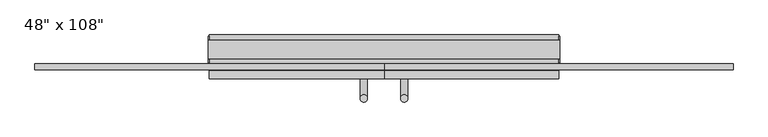
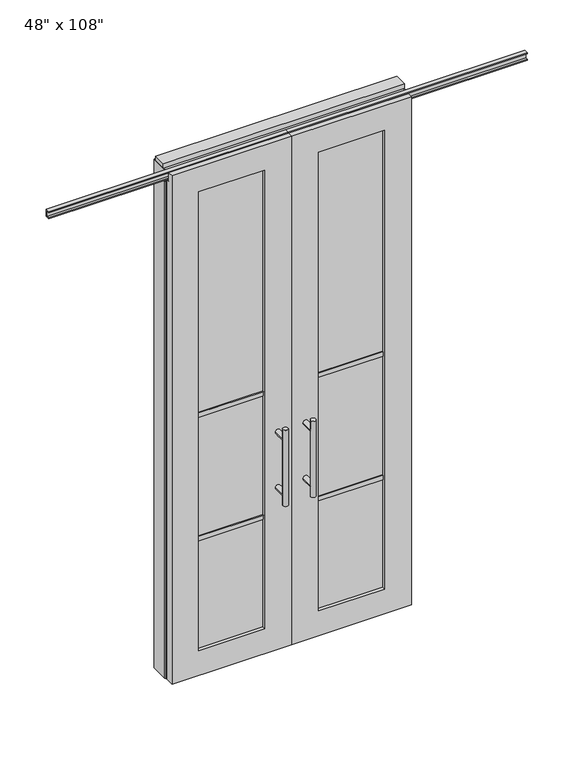
"""IFC4 building model written with IfcOpenShell, lengths in millimetres: furniture geometry."""

from ifc_helpers import new_model, si_unit, frame, origin, origin_with_axes, place, context, project, spatial, polyline, circle_curve, ellipse_curve, outline, extrude, faceted_brep, source, transform, mapped, element, save
from ifc_brep_helpers import plane_surface, cylinder_surface, advanced_brep


def furniture_7f959017(model_context):
    return source(origin(), model_context, "Body", "SolidModel", [
        advanced_brep(
        [(-117.3135229, 5.8962784, 1219.2), (-142.7135229, 5.8962784, 1219.2), (-117.3135229, 5.8962784, 812.8), (-142.7135229, 5.8962784, 812.8), (-117.3135229, 5.8962784, 1164.336), (-117.3135229, 5.8962784, 867.664), (-142.7135229, 5.8962784, 867.664), (-142.7135229, 5.8962784, 1164.336), (-117.3135229, -61.6677216, 1164.336), (-142.7135229, -61.6677216, 1164.336), (-117.3135229, -61.6677216, 867.664), (-142.7135229, -61.6677216, 867.664)],
        [
            (0, 1, circle_curve(frame((-130.0135229, 5.8962784, 1219.2), z_axis=(0.0, 0.0, 1.0), x_axis=(-1.0, 0.0, 0.0)), 12.7)),
            (1, 0, circle_curve(frame((-130.0135229, 5.8962784, 1219.2), z_axis=(0.0, 0.0, 1.0), x_axis=(-1.0, 0.0, 0.0)), 12.7)),
            (2, 3, circle_curve(frame((-130.0135229, 5.8962784, 812.8), z_axis=(0.0, 0.0, -1.0), x_axis=(-1.0, 0.0, 0.0)), 12.7)),
            (3, 2, circle_curve(frame((-130.0135229, 5.8962784, 812.8), z_axis=(0.0, 0.0, -1.0), x_axis=(-1.0, 0.0, 0.0)), 12.7)),
            (0, 4),
            (4, 5),
            (5, 2),
            (3, 6),
            (6, 7),
            (7, 1),
            (7, 4, ellipse_curve(frame((-130.0135229, 5.8962784, 1164.336), z_axis=(0.0, 0.707106781186565, 0.70710678118653), x_axis=(0.0, -0.70710678118653, 0.707106781186565)), 17.9605122, 12.7)),
            (5, 6, ellipse_curve(frame((-130.0135229, 5.8962784, 867.664), z_axis=(0.0, 0.70710678118653, -0.7071067811865649), x_axis=(0.0, 0.7071067811865648, 0.7071067811865301)), 17.9605122, 12.7)),
            (4, 7, ellipse_curve(frame((-130.0135229, 5.8962784, 1164.336), z_axis=(0.0, 0.70710678118653, -0.7071067811865649), x_axis=(0.0, 0.7071067811865648, 0.7071067811865301)), 17.9605122, 12.7)),
            (6, 5, ellipse_curve(frame((-130.0135229, 5.8962784, 867.664), z_axis=(0.0, 0.707106781186565, 0.70710678118653), x_axis=(0.0, -0.70710678118653, 0.707106781186565)), 17.9605122, 12.7)),
            (8, 9, circle_curve(frame((-130.0135229, -61.6677216, 1164.336), z_axis=(0.0, -1.0, 0.0), x_axis=(-1.0, 0.0, 0.0)), 12.7)),
            (9, 8, circle_curve(frame((-130.0135229, -61.6677216, 1164.336), z_axis=(0.0, -1.0, 0.0), x_axis=(-1.0, 0.0, 0.0)), 12.7)),
            (9, 7),
            (4, 8),
            (10, 11, circle_curve(frame((-130.0135229, -61.6677216, 867.664), z_axis=(0.0, -1.0, 0.0), x_axis=(-1.0, 0.0, 0.0)), 12.7)),
            (11, 10, circle_curve(frame((-130.0135229, -61.6677216, 867.664), z_axis=(0.0, -1.0, 0.0), x_axis=(-1.0, 0.0, 0.0)), 12.7)),
            (11, 6),
            (5, 10),
        ],
        [
            plane_surface(frame((-142.7135229, 5.8962784, 1219.2), z_axis=(0.0, 0.0, 1.0), x_axis=(0.0, -1.0, 0.0))),
            plane_surface(frame((-142.7135229, 5.8962784, 812.8), z_axis=(0.0, 0.0, -1.0), x_axis=(0.0, 1.0, 0.0))),
            cylinder_surface(frame((-130.0135229, 5.8962784, 812.8), z_axis=(0.0, 0.0, 1.0), x_axis=(-1.0, 0.0, 0.0)), 12.7),
            plane_surface(frame((-142.7135229, -61.6677216, 1164.336), z_axis=(0.0, -1.0, 0.0), x_axis=(0.0, 0.0, -1.0))),
            cylinder_surface(frame((-130.0135229, -61.6677216, 1164.336), z_axis=(0.0, 1.0, 0.0), x_axis=(-1.0, 0.0, 0.0)), 12.7),
            plane_surface(frame((-142.7135229, -61.6677216, 867.664), z_axis=(0.0, -1.0, 0.0), x_axis=(0.0, 0.0, -1.0))),
            cylinder_surface(frame((-130.0135229, -61.6677216, 867.664), z_axis=(0.0, 1.0, 0.0), x_axis=(-1.0, 0.0, 0.0)), 12.7),
        ],
        [
            (0, [[1, 2]]),
            (1, [[3, 4]]),
            (2, [[-1, 5, 6, 7, -4, 8, 9, 10]]),
            (2, [[-2, -10, 11, -5]]),
            (2, [[-3, -7, 12, -8]]),
            (2, [[13, -9, 14, -6]]),
            (3, [[15, 16]]),
            (4, [[-16, 17, -13, 18]]),
            (4, [[-15, -18, -11, -17]]),
            (5, [[19, 20]]),
            (6, [[-20, 21, -12, 22]]),
            (6, [[-19, -22, -14, -21]]),
        ],
    ),
        advanced_brep(
        [(-117.3135229, -173.6817216, 1219.2), (-142.7135229, -173.6817216, 1219.2), (-117.3135229, -173.6817216, 812.8), (-142.7135229, -173.6817216, 812.8), (-142.7135229, -173.6817216, 1164.336), (-142.7135229, -173.6817216, 867.664), (-117.3135229, -173.6817216, 867.664), (-117.3135229, -173.6817216, 1164.336), (-117.3135229, -106.1177216, 1164.336), (-142.7135229, -106.1177216, 1164.336), (-117.3135229, -106.1177216, 867.664), (-142.7135229, -106.1177216, 867.664)],
        [
            (0, 1, circle_curve(frame((-130.0135229, -173.6817216, 1219.2), z_axis=(0.0, 0.0, 1.0), x_axis=(-1.0, 0.0, 0.0)), 12.7)),
            (1, 0, circle_curve(frame((-130.0135229, -173.6817216, 1219.2), z_axis=(0.0, 0.0, 1.0), x_axis=(-1.0, 0.0, 0.0)), 12.7)),
            (2, 3, circle_curve(frame((-130.0135229, -173.6817216, 812.8), z_axis=(0.0, 0.0, -1.0), x_axis=(-1.0, 0.0, 0.0)), 12.7)),
            (3, 2, circle_curve(frame((-130.0135229, -173.6817216, 812.8), z_axis=(0.0, 0.0, -1.0), x_axis=(-1.0, 0.0, 0.0)), 12.7)),
            (1, 4),
            (4, 5),
            (5, 3),
            (2, 6),
            (6, 7),
            (7, 0),
            (6, 5, ellipse_curve(frame((-130.0135229, -173.6817216, 867.664), z_axis=(0.0, -0.707106781186565, 0.70710678118653), x_axis=(0.0, 0.70710678118653, 0.707106781186565)), 17.9605122, 12.7)),
            (4, 7, ellipse_curve(frame((-130.0135229, -173.6817216, 1164.336), z_axis=(0.0, -0.70710678118653, -0.7071067811865649), x_axis=(0.0, -0.7071067811865648, 0.7071067811865301)), 17.9605122, 12.7)),
            (7, 4, ellipse_curve(frame((-130.0135229, -173.6817216, 1164.336), z_axis=(0.0, -0.707106781186565, 0.70710678118653), x_axis=(0.0, 0.70710678118653, 0.707106781186565)), 17.9605122, 12.7)),
            (5, 6, ellipse_curve(frame((-130.0135229, -173.6817216, 867.664), z_axis=(0.0, -0.70710678118653, -0.7071067811865649), x_axis=(0.0, -0.7071067811865648, 0.7071067811865301)), 17.9605122, 12.7)),
            (8, 9, circle_curve(frame((-130.0135229, -106.1177216, 1164.336), z_axis=(0.0, 1.0, 0.0), x_axis=(-1.0, 0.0, 0.0)), 12.7)),
            (9, 8, circle_curve(frame((-130.0135229, -106.1177216, 1164.336), z_axis=(0.0, 1.0, 0.0), x_axis=(-1.0, 0.0, 0.0)), 12.7)),
            (8, 7),
            (4, 9),
            (10, 11, circle_curve(frame((-130.0135229, -106.1177216, 867.664), z_axis=(0.0, 1.0, 0.0), x_axis=(-1.0, 0.0, 0.0)), 12.7)),
            (11, 10, circle_curve(frame((-130.0135229, -106.1177216, 867.664), z_axis=(0.0, 1.0, 0.0), x_axis=(-1.0, 0.0, 0.0)), 12.7)),
            (10, 6),
            (5, 11),
        ],
        [
            plane_surface(frame((-142.7135229, -173.6817216, 1219.2), z_axis=(0.0, 0.0, 1.0), x_axis=(0.0, 1.0, 0.0))),
            plane_surface(frame((-142.7135229, -173.6817216, 812.8), z_axis=(0.0, 0.0, -1.0), x_axis=(0.0, -1.0, 0.0))),
            cylinder_surface(frame((-130.0135229, -173.6817216, 812.8), z_axis=(0.0, 0.0, 1.0), x_axis=(-1.0, 0.0, 0.0)), 12.7),
            plane_surface(frame((-142.7135229, -106.1177216, 1164.336), z_axis=(0.0, 1.0, 0.0), x_axis=(0.0, 0.0, -1.0))),
            cylinder_surface(frame((-130.0135229, -106.1177216, 1164.336), z_axis=(0.0, -1.0, 0.0), x_axis=(-1.0, 0.0, 0.0)), 12.7),
            plane_surface(frame((-142.7135229, -106.1177216, 867.664), z_axis=(0.0, 1.0, 0.0), x_axis=(0.0, 0.0, -1.0))),
            cylinder_surface(frame((-130.0135229, -106.1177216, 867.664), z_axis=(0.0, -1.0, 0.0), x_axis=(-1.0, 0.0, 0.0)), 12.7),
        ],
        [
            (0, [[1, 2]]),
            (1, [[3, 4]]),
            (2, [[5, 6, 7, -3, 8, 9, 10, -2]]),
            (2, [[-9, 11, -6, 12]]),
            (2, [[-10, 13, -5, -1]]),
            (2, [[-7, 14, -8, -4]]),
            (3, [[15, 16]]),
            (4, [[17, -12, 18, -15]]),
            (4, [[-18, -13, -17, -16]]),
            (5, [[19, 20]]),
            (6, [[21, -14, 22, -19]]),
            (6, [[-22, -11, -21, -20]]),
        ],
    ),
        extrude(outline(polyline([(-196.0535229, -95.0052216), (-529.6825229, -95.0052216), (-529.6825229, -72.7802216), (-196.0535229, -72.7802216), (-196.0535229, -95.0052216)])), frame((0.0, 0.0, 1371.6), z_axis=(0.0, 0.0, 1.0), x_axis=(1.0, 0.0, 0.0)), (0.0, 0.0, 1.0), 22.225),
        extrude(outline(polyline([(-196.0535229, -95.0052216), (-529.6825229, -95.0052216), (-529.6825229, -72.7802216), (-196.0535229, -72.7802216), (-196.0535229, -95.0052216)])), frame((0.0, 0.0, 711.2), z_axis=(0.0, 0.0, 1.0), x_axis=(1.0, 0.0, 0.0)), (0.0, 0.0, 1.0), 22.225),
        extrude(outline(polyline([(-529.6825229, -88.9727216), (-529.6825229, -78.8127216), (-196.0535229, -78.8127216), (-196.0535229, -88.9727216), (-529.6825229, -88.9727216)])), frame((0.0, 0.0, 132.969), z_axis=(0.0, 0.0, 1.0), x_axis=(1.0, 0.0, 0.0)), (0.0, 0.0, 1.0), 2451.862),
        extrude(outline(polyline([(-75.3837216, 2681.478), (-75.3837216, 2686.812), (-62.6837216, 2686.812), (-62.6837216, 2715.768), (-75.3837216, 2715.768), (-75.3837216, 2721.102), (-53.6667216, 2721.102), (-53.6667216, 2681.478), (-75.3837216, 2681.478)])), frame((-1271.3625229, 0.0, 0.0), z_axis=(1.0, 0.0, 0.0), x_axis=(0.0, 1.0, 0.0)), (0.0, 0.0, 1.0), 1211.326),
        faceted_brep([(-60.0365229, -106.1177216, 0.0), (-60.0365229, -106.1177216, 2717.8), (-665.6995229, -106.1177216, 2717.8), (-665.6995229, -106.1177216, 0.0), (-529.6825229, -106.1177216, 2584.831), (-196.0535229, -106.1177216, 2584.831), (-196.0535229, -106.1177216, 132.969), (-529.6825229, -106.1177216, 132.969), (-60.0365229, -78.6857216, 2717.8), (-60.0365229, -78.6857216, 2673.223), (-665.6995229, -78.6857216, 2673.223), (-665.6995229, -78.6857216, 2717.8), (-60.0365229, -61.6677216, 0.0), (-60.0365229, -61.6677216, 2673.223), (-665.6995229, -61.6677216, 2673.223), (-665.6995229, -61.6677216, 0.0), (-529.6825229, -61.6677216, 2584.831), (-529.6825229, -61.6677216, 132.969), (-196.0535229, -61.6677216, 132.969), (-196.0535229, -61.6677216, 2584.831)], [[[0, 1, 2, 3], [4, 5, 6, 7]], [[8, 9, 10, 11]], [[0, 12, 13, 9, 8, 1]], [[2, 11, 10, 14, 15, 3]], [[1, 8, 11, 2]], [[14, 13, 12, 15], [16, 17, 18, 19]], [[14, 10, 9, 13]], [[3, 15, 12, 0]], [[7, 17, 16, 4]], [[6, 18, 17, 7]], [[5, 19, 18, 6]], [[4, 16, 19, 5]]]),
        advanced_brep(
        [(-2.7595229, 5.8962784, 1219.2), (22.6404771, 5.8962784, 1219.2), (-2.7595229, 5.8962784, 812.8), (22.6404771, 5.8962784, 812.8), (22.6404771, 5.8962784, 1164.336), (22.6404771, 5.8962784, 867.664), (-2.7595229, 5.8962784, 867.664), (-2.7595229, 5.8962784, 1164.336), (-2.7595229, -61.6677216, 1164.336), (22.6404771, -61.6677216, 1164.336), (-2.7595229, -61.6677216, 867.664), (22.6404771, -61.6677216, 867.664)],
        [
            (0, 1, circle_curve(frame((9.9404771, 5.8962784, 1219.2), z_axis=(0.0, 0.0, 1.0), x_axis=(1.0, 0.0, 0.0)), 12.7)),
            (1, 0, circle_curve(frame((9.9404771, 5.8962784, 1219.2), z_axis=(0.0, 0.0, 1.0), x_axis=(1.0, 0.0, 0.0)), 12.7)),
            (2, 3, circle_curve(frame((9.9404771, 5.8962784, 812.8), z_axis=(0.0, 0.0, -1.0), x_axis=(1.0, 0.0, 0.0)), 12.7)),
            (3, 2, circle_curve(frame((9.9404771, 5.8962784, 812.8), z_axis=(0.0, 0.0, -1.0), x_axis=(1.0, 0.0, 0.0)), 12.7)),
            (1, 4),
            (4, 5),
            (5, 3),
            (2, 6),
            (6, 7),
            (7, 0),
            (6, 5, ellipse_curve(frame((9.9404771, 5.8962784, 867.664), z_axis=(0.0, 0.707106781186565, 0.70710678118653), x_axis=(0.0, -0.70710678118653, 0.707106781186565)), 17.9605122, 12.7)),
            (4, 7, ellipse_curve(frame((9.9404771, 5.8962784, 1164.336), z_axis=(0.0, 0.70710678118653, -0.7071067811865649), x_axis=(0.0, 0.7071067811865648, 0.7071067811865301)), 17.9605122, 12.7)),
            (7, 4, ellipse_curve(frame((9.9404771, 5.8962784, 1164.336), z_axis=(0.0, 0.707106781186565, 0.70710678118653), x_axis=(0.0, -0.70710678118653, 0.707106781186565)), 17.9605122, 12.7)),
            (5, 6, ellipse_curve(frame((9.9404771, 5.8962784, 867.664), z_axis=(0.0, 0.70710678118653, -0.7071067811865649), x_axis=(0.0, 0.7071067811865648, 0.7071067811865301)), 17.9605122, 12.7)),
            (8, 9, circle_curve(frame((9.9404771, -61.6677216, 1164.336), z_axis=(0.0, -1.0, 0.0), x_axis=(1.0, 0.0, 0.0)), 12.7)),
            (9, 8, circle_curve(frame((9.9404771, -61.6677216, 1164.336), z_axis=(0.0, -1.0, 0.0), x_axis=(1.0, 0.0, 0.0)), 12.7)),
            (8, 7),
            (4, 9),
            (10, 11, circle_curve(frame((9.9404771, -61.6677216, 867.664), z_axis=(0.0, -1.0, 0.0), x_axis=(1.0, 0.0, 0.0)), 12.7)),
            (11, 10, circle_curve(frame((9.9404771, -61.6677216, 867.664), z_axis=(0.0, -1.0, 0.0), x_axis=(1.0, 0.0, 0.0)), 12.7)),
            (10, 6),
            (5, 11),
        ],
        [
            plane_surface(frame((22.6404771, 5.8962784, 1219.2), z_axis=(0.0, 0.0, 1.0), x_axis=(0.0, -1.0, 0.0))),
            plane_surface(frame((22.6404771, 5.8962784, 812.8), z_axis=(0.0, 0.0, -1.0), x_axis=(0.0, 1.0, 0.0))),
            cylinder_surface(frame((9.9404771, 5.8962784, 812.8), z_axis=(0.0, 0.0, 1.0), x_axis=(1.0, 0.0, 0.0)), 12.7),
            plane_surface(frame((22.6404771, -61.6677216, 1164.336), z_axis=(0.0, -1.0, 0.0), x_axis=(0.0, 0.0, -1.0))),
            cylinder_surface(frame((9.9404771, -61.6677216, 1164.336), z_axis=(0.0, 1.0, 0.0), x_axis=(1.0, 0.0, 0.0)), 12.7),
            plane_surface(frame((22.6404771, -61.6677216, 867.664), z_axis=(0.0, -1.0, 0.0), x_axis=(0.0, 0.0, -1.0))),
            cylinder_surface(frame((9.9404771, -61.6677216, 867.664), z_axis=(0.0, 1.0, 0.0), x_axis=(1.0, 0.0, 0.0)), 12.7),
        ],
        [
            (0, [[1, 2]]),
            (1, [[3, 4]]),
            (2, [[5, 6, 7, -3, 8, 9, 10, -2]]),
            (2, [[-9, 11, -6, 12]]),
            (2, [[-10, 13, -5, -1]]),
            (2, [[-7, 14, -8, -4]]),
            (3, [[15, 16]]),
            (4, [[17, -12, 18, -15]]),
            (4, [[-18, -13, -17, -16]]),
            (5, [[19, 20]]),
            (6, [[21, -14, 22, -19]]),
            (6, [[-22, -11, -21, -20]]),
        ],
    ),
        advanced_brep(
        [(-2.7595229, -173.6817216, 1219.2), (22.6404771, -173.6817216, 1219.2), (-2.7595229, -173.6817216, 812.8), (22.6404771, -173.6817216, 812.8), (-2.7595229, -173.6817216, 1164.336), (-2.7595229, -173.6817216, 867.664), (22.6404771, -173.6817216, 867.664), (22.6404771, -173.6817216, 1164.336), (-2.7595229, -106.1177216, 1164.336), (22.6404771, -106.1177216, 1164.336), (-2.7595229, -106.1177216, 867.664), (22.6404771, -106.1177216, 867.664)],
        [
            (0, 1, circle_curve(frame((9.9404771, -173.6817216, 1219.2), z_axis=(0.0, 0.0, 1.0), x_axis=(1.0, 0.0, 0.0)), 12.7)),
            (1, 0, circle_curve(frame((9.9404771, -173.6817216, 1219.2), z_axis=(0.0, 0.0, 1.0), x_axis=(1.0, 0.0, 0.0)), 12.7)),
            (2, 3, circle_curve(frame((9.9404771, -173.6817216, 812.8), z_axis=(0.0, 0.0, -1.0), x_axis=(1.0, 0.0, 0.0)), 12.7)),
            (3, 2, circle_curve(frame((9.9404771, -173.6817216, 812.8), z_axis=(0.0, 0.0, -1.0), x_axis=(1.0, 0.0, 0.0)), 12.7)),
            (0, 4),
            (4, 5),
            (5, 2),
            (3, 6),
            (6, 7),
            (7, 1),
            (7, 4, ellipse_curve(frame((9.9404771, -173.6817216, 1164.336), z_axis=(0.0, -0.707106781186565, 0.70710678118653), x_axis=(0.0, 0.70710678118653, 0.707106781186565)), 17.9605122, 12.7)),
            (5, 6, ellipse_curve(frame((9.9404771, -173.6817216, 867.664), z_axis=(0.0, -0.70710678118653, -0.7071067811865649), x_axis=(0.0, -0.7071067811865648, 0.7071067811865301)), 17.9605122, 12.7)),
            (4, 7, ellipse_curve(frame((9.9404771, -173.6817216, 1164.336), z_axis=(0.0, -0.70710678118653, -0.7071067811865649), x_axis=(0.0, -0.7071067811865648, 0.7071067811865301)), 17.9605122, 12.7)),
            (6, 5, ellipse_curve(frame((9.9404771, -173.6817216, 867.664), z_axis=(0.0, -0.707106781186565, 0.70710678118653), x_axis=(0.0, 0.70710678118653, 0.707106781186565)), 17.9605122, 12.7)),
            (8, 9, circle_curve(frame((9.9404771, -106.1177216, 1164.336), z_axis=(0.0, 1.0, 0.0), x_axis=(1.0, 0.0, 0.0)), 12.7)),
            (9, 8, circle_curve(frame((9.9404771, -106.1177216, 1164.336), z_axis=(0.0, 1.0, 0.0), x_axis=(1.0, 0.0, 0.0)), 12.7)),
            (9, 7),
            (4, 8),
            (10, 11, circle_curve(frame((9.9404771, -106.1177216, 867.664), z_axis=(0.0, 1.0, 0.0), x_axis=(1.0, 0.0, 0.0)), 12.7)),
            (11, 10, circle_curve(frame((9.9404771, -106.1177216, 867.664), z_axis=(0.0, 1.0, 0.0), x_axis=(1.0, 0.0, 0.0)), 12.7)),
            (11, 6),
            (5, 10),
        ],
        [
            plane_surface(frame((22.6404771, -173.6817216, 1219.2), z_axis=(0.0, 0.0, 1.0), x_axis=(0.0, 1.0, 0.0))),
            plane_surface(frame((22.6404771, -173.6817216, 812.8), z_axis=(0.0, 0.0, -1.0), x_axis=(0.0, -1.0, 0.0))),
            cylinder_surface(frame((9.9404771, -173.6817216, 812.8), z_axis=(0.0, 0.0, 1.0), x_axis=(1.0, 0.0, 0.0)), 12.7),
            plane_surface(frame((22.6404771, -106.1177216, 1164.336), z_axis=(0.0, 1.0, 0.0), x_axis=(0.0, 0.0, -1.0))),
            cylinder_surface(frame((9.9404771, -106.1177216, 1164.336), z_axis=(0.0, -1.0, 0.0), x_axis=(1.0, 0.0, 0.0)), 12.7),
            plane_surface(frame((22.6404771, -106.1177216, 867.664), z_axis=(0.0, 1.0, 0.0), x_axis=(0.0, 0.0, -1.0))),
            cylinder_surface(frame((9.9404771, -106.1177216, 867.664), z_axis=(0.0, -1.0, 0.0), x_axis=(1.0, 0.0, 0.0)), 12.7),
        ],
        [
            (0, [[1, 2]]),
            (1, [[3, 4]]),
            (2, [[-1, 5, 6, 7, -4, 8, 9, 10]]),
            (2, [[-2, -10, 11, -5]]),
            (2, [[-3, -7, 12, -8]]),
            (2, [[13, -9, 14, -6]]),
            (3, [[15, 16]]),
            (4, [[-16, 17, -13, 18]]),
            (4, [[-15, -18, -11, -17]]),
            (5, [[19, 20]]),
            (6, [[-20, 21, -12, 22]]),
            (6, [[-19, -22, -14, -21]]),
        ],
    ),
        extrude(outline(polyline([(75.9804771, -95.0052216), (75.9804771, -72.7802216), (409.6094771, -72.7802216), (409.6094771, -95.0052216), (75.9804771, -95.0052216)])), frame((0.0, 0.0, 1371.6), z_axis=(0.0, 0.0, 1.0), x_axis=(1.0, 0.0, 0.0)), (0.0, 0.0, 1.0), 22.225),
        extrude(outline(polyline([(75.9804771, -95.0052216), (75.9804771, -72.7802216), (409.6094771, -72.7802216), (409.6094771, -95.0052216), (75.9804771, -95.0052216)])), frame((0.0, 0.0, 711.2), z_axis=(0.0, 0.0, 1.0), x_axis=(1.0, 0.0, 0.0)), (0.0, 0.0, 1.0), 22.225),
        extrude(outline(polyline([(409.6094771, -88.9727216), (75.9804771, -88.9727216), (75.9804771, -78.8127216), (409.6094771, -78.8127216), (409.6094771, -88.9727216)])), frame((0.0, 0.0, 132.969), z_axis=(0.0, 0.0, 1.0), x_axis=(1.0, 0.0, 0.0)), (0.0, 0.0, 1.0), 2451.862),
        extrude(outline(polyline([(-75.3837216, 2681.478), (-75.3837216, 2686.812), (-62.6837216, 2686.812), (-62.6837216, 2715.768), (-75.3837216, 2715.768), (-75.3837216, 2721.102), (-53.6667216, 2721.102), (-53.6667216, 2681.478), (-75.3837216, 2681.478)])), frame((-60.0365229, 0.0, 0.0), z_axis=(1.0, 0.0, 0.0), x_axis=(0.0, 1.0, 0.0)), (0.0, 0.0, 1.0), 1211.326),
        faceted_brep([(-60.0365229, -106.1177216, 0.0), (545.6264771, -106.1177216, 0.0), (545.6264771, -106.1177216, 2717.8), (-60.0365229, -106.1177216, 2717.8), (409.6094771, -106.1177216, 2584.831), (409.6094771, -106.1177216, 132.969), (75.9804771, -106.1177216, 132.969), (75.9804771, -106.1177216, 2584.831), (-60.0365229, -78.6857216, 2717.8), (545.6264771, -78.6857216, 2717.8), (545.6264771, -78.6857216, 2673.223), (-60.0365229, -78.6857216, 2673.223), (-60.0365229, -61.6677216, 2673.223), (-60.0365229, -61.6677216, 0.0), (545.6264771, -61.6677216, 0.0), (545.6264771, -61.6677216, 2673.223), (409.6094771, -61.6677216, 2584.831), (75.9804771, -61.6677216, 2584.831), (75.9804771, -61.6677216, 132.969), (409.6094771, -61.6677216, 132.969)], [[[0, 1, 2, 3], [4, 5, 6, 7]], [[8, 9, 10, 11]], [[0, 3, 8, 11, 12, 13]], [[2, 1, 14, 15, 10, 9]], [[3, 2, 9, 8]], [[15, 14, 13, 12], [16, 17, 18, 19]], [[15, 12, 11, 10]], [[1, 0, 13, 14]], [[5, 4, 16, 19]], [[6, 5, 19, 18]], [[7, 6, 18, 17]], [[4, 7, 17, 16]]]),
        extrude(outline(polyline([(-665.6995229, -55.3177216), (-665.6995229, 46.2822784), (545.6264771, 46.2822784), (545.6264771, -55.3177216), (-665.6995229, -55.3177216)])), frame((0.0, 0.0, 2654.3), z_axis=(0.0, 0.0, 1.0), x_axis=(1.0, 0.0, 0.0)), (0.0, 0.0, 1.0), 22.225),
        extrude(outline(polyline([(549.5634771, -50.3647216), (545.6264771, -50.3647216), (545.6264771, 41.3292784), (549.5634771, 41.3292784), (549.5634771, -50.3647216)])), origin_with_axes(), (0.0, 0.0, 1.0), 2717.8),
        extrude(outline(polyline([(-669.6365229, -50.3647216), (-669.6365229, 41.3292784), (-665.6995229, 41.3292784), (-665.6995229, -50.3647216), (-669.6365229, -50.3647216)])), origin_with_axes(), (0.0, 0.0, 1.0), 2717.8),
        extrude(outline(polyline([(523.4014771, -55.3177216), (523.4014771, 46.2822784), (545.6264771, 46.2822784), (545.6264771, -55.3177216), (523.4014771, -55.3177216)])), origin_with_axes(), (0.0, 0.0, 1.0), 2654.3),
        extrude(outline(polyline([(-643.4745229, -55.3177216), (-665.6995229, -55.3177216), (-665.6995229, 46.2822784), (-643.4745229, 46.2822784), (-643.4745229, -55.3177216)])), origin_with_axes(), (0.0, 0.0, 1.0), 2654.3),
        extrude(outline(polyline([(-55.3177216, 2681.478), (-55.3177216, 2717.8), (46.2822784, 2717.8), (46.2822784, 2681.478), (41.3292784, 2681.478), (41.3292784, 2676.525), (-50.3647216, 2676.525), (-50.3647216, 2681.478), (-55.3177216, 2681.478)])), frame((-665.6995229, 0.0, 0.0), z_axis=(1.0, 0.0, 0.0), x_axis=(0.0, 1.0, 0.0)), (0.0, 0.0, 1.0), 1211.326),
        extrude(outline(polyline([(-669.6365229, -37.0297216), (-669.6365229, 27.9942784), (549.5634771, 27.9942784), (549.5634771, -37.0297216), (-669.6365229, -37.0297216)])), frame((0.0, 0.0, 2717.8), z_axis=(0.0, 0.0, 1.0), x_axis=(1.0, 0.0, 0.0)), (0.0, 0.0, 1.0), 25.4),
    ])


if __name__ == "__main__":
    model = new_model("IFC4")
    model_context = context("Model", 3, world=origin())
    ifc_project = project(units=[si_unit("LENGTHUNIT", "METRE", prefix="MILLI")], contexts=[model_context])
    site = spatial("IfcSite", under=ifc_project)
    building = spatial("IfcBuilding", under=site)
    placement = place(None, origin())
    furniture_shape = furniture_7f959017(model_context)
    element("IfcFurniture", 1, ObjectType="48\" x 108\"", at=placement, inside=building, context=model_context, shape_type="MappedRepresentation", body=[
        mapped(furniture_shape, transform((0.0, 0.0, 0.0), x_axis=(1.0, 0.0, 0.0), y_axis=(0.0, 1.0, 0.0), z_axis=(0.0, 0.0, 1.0))),
    ])
    save(model, "model.ifc")
